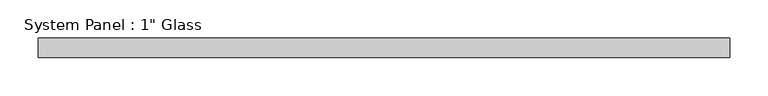
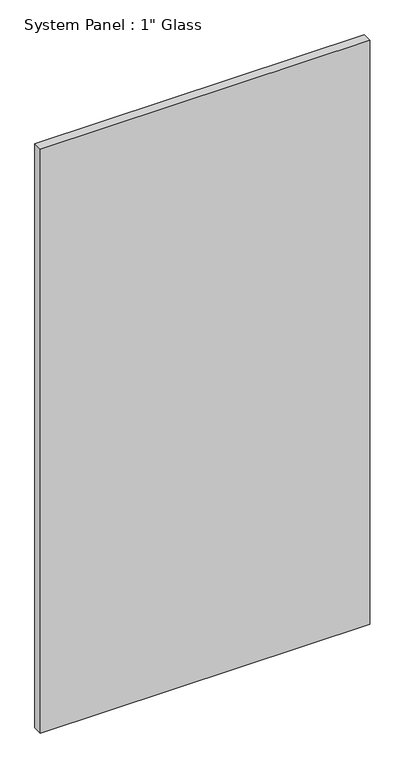
"""IFC4 building model written with IfcOpenShell, lengths in millimetres: plate geometry."""

from ifc_helpers import new_model, si_unit, origin, origin_with_axes, place, context, project, spatial, polyline, outline, extrude, source, transform, mapped, element, save


def plate_627f130e(model_context):
    return source(origin(), model_context, "Body", "SweptSolid", [
        extrude(outline(polyline([(452.4375, -12.7), (-452.4375, -12.7), (-452.4375, 12.7), (452.4375, 12.7), (452.4375, -12.7)])), origin_with_axes(), (0.0, 0.0, 1.0), 1695.45),
    ])


if __name__ == "__main__":
    model = new_model("IFC4")
    model_context = context("Model", 3, world=origin())
    ifc_project = project(units=[si_unit("LENGTHUNIT", "METRE", prefix="MILLI")], contexts=[model_context])
    site = spatial("IfcSite", under=ifc_project)
    building = spatial("IfcBuilding", under=site)
    placement = place(None, origin())
    plate_shape = plate_627f130e(model_context)
    element("IfcPlate", 1, ObjectType="System Panel : 1\" Glass", at=placement, inside=building, context=model_context, shape_type="MappedRepresentation", body=[
        mapped(plate_shape, transform((0.0, 0.0, 0.0), x_axis=(1.0, 0.0, 0.0), y_axis=(0.0, 1.0, 0.0), z_axis=(0.0, 0.0, 1.0))),
    ])
    save(model, "model.ifc")
